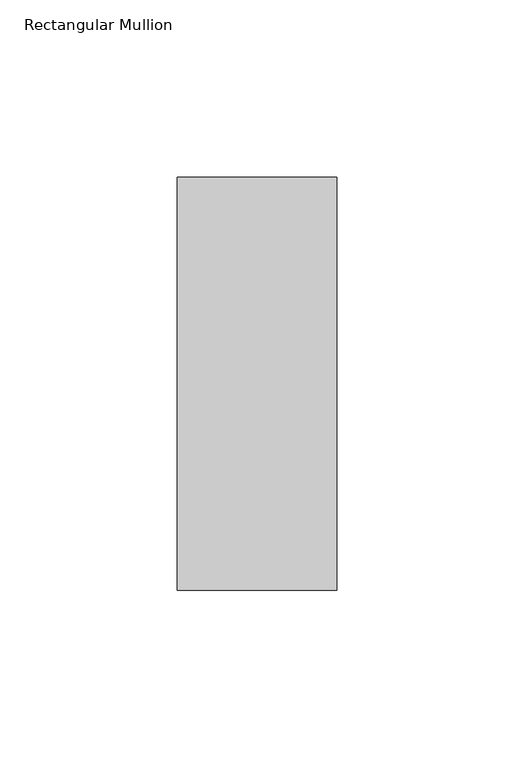
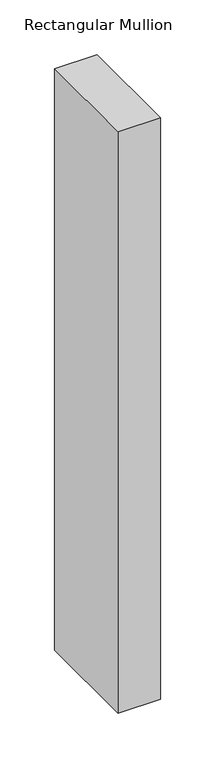
"""IFC4 building model written with IfcOpenShell, lengths in millimetres: member geometry, Rectangular Mullion."""

from ifc_helpers import new_model, si_unit, frame, origin, place, context, project, spatial, polyline, outline, extrude, source, transform, mapped, element, save


def rectangular_mullion_fe514d36(model_context):
    return source(origin(), model_context, "Body", "SweptSolid", [
        extrude(outline(polyline([(0.0, 73.875), (0.0, -42.8257813), (-45.0453125, -42.8257813), (-45.0453125, 73.875), (0.0, 73.875)])), frame((0.0, 0.0, -650.478125), z_axis=(0.0, 0.0, 1.0), x_axis=(1.0, 0.0, 0.0)), (0.0, 0.0, 1.0), 650.478125),
    ])


if __name__ == "__main__":
    model = new_model("IFC4")
    model_context = context("Model", 3, world=origin())
    ifc_project = project(units=[si_unit("LENGTHUNIT", "METRE", prefix="MILLI")], contexts=[model_context])
    site = spatial("IfcSite", under=ifc_project)
    building = spatial("IfcBuilding", under=site)
    placement = place(None, origin())
    rectangular_mullion_shape = rectangular_mullion_fe514d36(model_context)
    element("IfcMember", 1, ObjectType="Rectangular Mullion", at=placement, inside=building, context=model_context, shape_type="MappedRepresentation", body=[
        mapped(rectangular_mullion_shape, transform((0.0, 0.0, 0.0), x_axis=(1.0, 0.0, 0.0), y_axis=(0.0, 1.0, 0.0), z_axis=(0.0, 0.0, 1.0))),
    ])
    save(model, "model.ifc")
